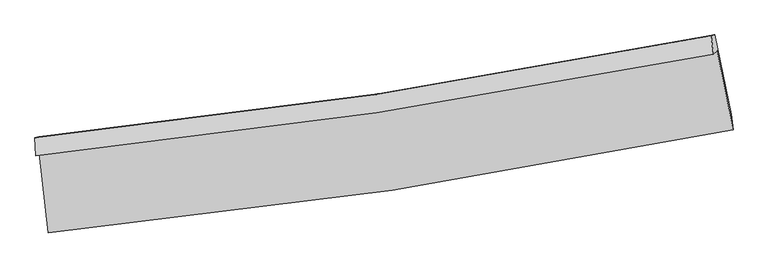
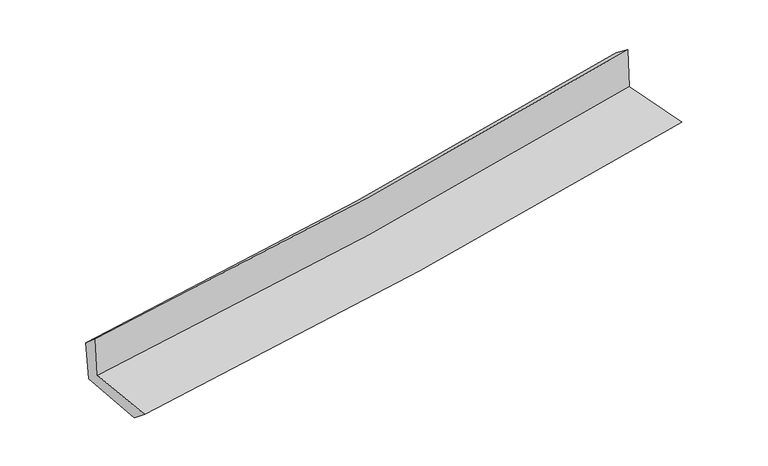
"""IFC4 building model written with IfcOpenShell, lengths in millimetres: proxy geometry."""

from ifc_helpers import new_model, si_unit, frame, origin, place, context, project, spatial, source, transform, mapped, element, save
from ifc_brep_helpers import plane_surface, spline_curve, spline_surface, advanced_brep


def generic_models_3e7e644f(model_context):
    return source(origin(), model_context, "Body", "AdvancedBrep", [
        advanced_brep(
        [(-2880.7484326, -1901.331784, 1654.734087), (-2805.33757, -2569.9155614, 1630.0850238), (2953.2652313, -1701.4400827, 2115.5002262), (2819.4181055, -1039.4637798, 2128.7138402), (-2912.5141597, -1921.8403772, 2055.6479992), (2788.4670425, -1066.8773997, 2535.9880541), (-2918.1724313, -1768.9403011, 1924.7079578), (2767.7895969, -912.4606662, 2421.2341849), (-2886.3151888, -1761.0930786, 1539.080862), (2799.2796755, -905.2707712, 2053.2286731), (-2812.017915, -2408.5385383, 1500.2347308), (2936.6873248, -1573.0615748, 2013.2479374)],
        [
            (0, 1),
            (1, 2, spline_curve(3, [(-2805.33757, -2569.9155614, 1630.0850238), (-1837.363152827, -2475.78967567, 1719.81831859), (-872.6837918, -2356.187839901, 1805.197487547), (1046.828189231, -2066.523709518, 1966.973106558), (2001.683095836, -1896.633719259, 2043.399005049), (2953.2652313, -1701.4400827, 2115.5002262)], [4, 2, 4], [0.0, 9.557172699144012, 19.08197109371932])),
            (2, 3),
            (3, 0, spline_curve(3, [(2819.4181055, -1039.4637798, 2128.7138402), (1878.06442466, -1224.978467357, 2043.37694904), (933.185601321, -1389.472016345, 1961.271711297), (-966.845907091, -1676.904493671, 1803.256454205), (-1922.022596577, -1799.700279094, 1727.368441183), (-2880.7484326, -1901.331784, 1654.734087)], [4, 2, 4], [0.0, 9.52479839457531, 19.08197109371932])),
            (4, 0),
            (3, 5),
            (5, 4, spline_curve(3, [(2788.4670425, -1066.8773997, 2535.9880541), (1846.827751605, -1253.986970415, 2454.983123765), (901.738222115, -1418.705845813, 2374.519313147), (-998.565350867, -1703.845973623, 2214.402276495), (-1953.802889263, -1824.114756931, 2134.752735973), (-2912.5141597, -1921.8403772, 2055.6479992)], [4, 2, 4], [0.0, 9.475959437502908, 18.98412717844719])),
            (6, 4),
            (5, 7),
            (7, 6, spline_curve(3, [(2767.7895969, -912.4606662, 2421.2341849), (1828.854692299, -1101.402934754, 2339.93409911), (886.367004895, -1267.165673761, 2257.978185315), (-1008.929478663, -1552.816725504, 2092.473908783), (-1961.762467481, -1672.547197896, 2008.921080274), (-2918.1724313, -1768.9403011, 1924.7079578)], [4, 2, 4], [0.0, 9.465660363726986, 18.963494024868194])),
            (8, 6),
            (7, 9),
            (9, 8, spline_curve(3, [(2799.2796755, -905.2707712, 2053.2286731), (1860.72209099, -1093.875429662, 1964.880807055), (918.453877176, -1259.414485479, 1877.931537631), (-976.719143678, -1544.845651731, 1706.539410391), (-1929.649217844, -1664.580698713, 1622.10607583), (-2886.3151888, -1761.0930786, 1539.080862)], [4, 2, 4], [0.0, 9.45583827722812, 18.94381646709877])),
            (10, 8),
            (9, 11),
            (11, 10, spline_curve(3, [(2936.6873248, -1573.0615748, 2013.2479374), (1987.698642826, -1769.10697475, 1932.875579141), (1034.964663762, -1936.683015976, 1850.015059257), (-881.244912901, -2215.369198154, 1679.027600322), (-1844.746013793, -2326.285477802, 1590.883717946), (-2812.017915, -2408.5385383, 1500.2347308)], [4, 2, 4], [0.0, 9.505849488981555, 19.04400887616692])),
            (1, 10),
            (11, 2),
        ],
        [
            spline_surface(3, 3, [[(-2880.7484326, -1901.331784, 1654.734087), (-1922.022596487, -1799.700279149, 1727.368441202), (-966.845907086, -1676.904493582, 1803.256454326), (933.185601316, -1389.472016434, 1961.271711177), (1878.064424642, -1224.978467275, 2043.376949118), (2819.4181055, -1039.4637798, 2128.7138402)], [(-2855.611478412, -2124.193043145, 1646.5177326), (-1893.802781907, -2025.063411313, 1724.851733699), (-935.458535366, -1903.332275652, 1803.903465415), (971.066464008, -1615.155914157, 1963.17217624), (1919.27064833, -1448.863551254, 2043.38430105), (2864.033814093, -1260.122547431, 2124.309302184)], [(-2830.474524188, -2347.054302255, 1638.3013782), (-1865.582967289, -2250.426543443, 1722.335026196), (-904.071163664, -2129.760057734, 1804.550476577), (1008.947326683, -1840.839811892, 1965.072641377), (1960.47687204, -1672.748635241, 2043.391653031), (2908.649522707, -1480.781315069, 2119.904764216)], [(-2805.33757, -2569.9155614, 1630.0850238), (-1837.363152709, -2475.789675607, 1719.818318693), (-872.683791944, -2356.187839804, 1805.197487666), (1046.828189375, -2066.523709615, 1966.97310644), (2001.683095728, -1896.63371922, 2043.399004964), (2953.2652313, -1701.4400827, 2115.5002262)]], [4, 4], [4, 2, 4], [0.0, 2.2509518413302034], [0.0, 9.557172699144012, 19.08197109371932]),
            spline_surface(3, 3, [[(-2912.5141597, -1921.8403772, 2055.6479992), (-1953.802889119, -1824.11475705, 2134.752735906), (-998.565350957, -1703.845973474, 2214.402276645), (901.738222205, -1418.705845962, 2374.519312997), (1846.827751463, -1253.986970381, 2454.983123905), (2788.4670425, -1066.8773997, 2535.9880541)], [(-2901.925583994, -1915.004179477, 1922.010028471), (-1943.209458235, -1815.97659776, 1998.957971009), (-987.992203013, -1694.865480165, 2077.353669217), (912.220681895, -1408.961236108, 2236.770112402), (1857.239975859, -1244.317469356, 2317.781065655), (2798.784063503, -1057.739526411, 2400.229982812)], [(-2891.337008306, -1908.167981723, 1788.372057729), (-1932.616027371, -1807.838438439, 1863.163206099), (-977.41905503, -1685.884986891, 1940.305061754), (922.703141625, -1399.216626289, 2099.020911772), (1867.652200247, -1234.6479683, 2180.579007368), (2809.101084497, -1048.601653089, 2264.471911488)], [(-2880.7484326, -1901.331784, 1654.734087), (-1922.022596487, -1799.700279149, 1727.368441202), (-966.845907086, -1676.904493582, 1803.256454326), (933.185601316, -1389.472016434, 1961.271711177), (1878.064424642, -1224.978467275, 2043.376949118), (2819.4181055, -1039.4637798, 2128.7138402)]], [4, 4], [4, 2, 4], [0.0, 1.3594298125652637], [0.0, 9.50816774094428, 18.98412717844719]),
            spline_surface(3, 3, [[(-2918.1724313, -1768.9403011, 1924.7079578), (-1961.762467417, -1672.547198011, 2008.921080168), (-1008.929478654, -1552.816725388, 2092.473908783), (886.367004885, -1267.165673878, 2257.978185315), (1828.854692245, -1101.402934879, 2339.93409908), (2767.7895969, -912.4606662, 2421.2341849)], [(-2916.28634078, -1819.906993121, 1968.354638256), (-1959.109274664, -1723.069717679, 2050.864965404), (-1005.474769401, -1603.159808114, 2133.116698066), (891.490744012, -1317.679064604, 2296.82522787), (1834.845711989, -1152.264280035, 2378.283774012), (2774.682078771, -963.932910689, 2459.485474623)], [(-2914.40025022, -1870.873685179, 2012.001318744), (-1956.456081872, -1773.592237383, 2092.80885067), (-1002.02006021, -1653.502890747, 2173.759487363), (896.614483078, -1368.192455236, 2335.672270441), (1840.836731719, -1203.125625225, 2416.633448974), (2781.574560629, -1015.405155211, 2497.736764377)], [(-2912.5141597, -1921.8403772, 2055.6479992), (-1953.802889119, -1824.11475705, 2134.752735906), (-998.565350957, -1703.845973474, 2214.402276645), (901.738222205, -1418.705845962, 2374.519312997), (1846.827751463, -1253.986970381, 2454.983123905), (2788.4670425, -1066.8773997, 2535.9880541)]], [4, 4], [4, 2, 4], [0.0, 0.633391348933573], [0.0, 9.497833661141208, 18.963494024868194]),
            spline_surface(3, 3, [[(-2886.3151888, -1761.0930786, 1539.080862), (-1929.649217831, -1664.580698566, 1622.106075959), (-976.719143629, -1544.845651881, 1706.539410321), (918.453877127, -1259.41448533, 1877.931537701), (1860.722091014, -1093.875429538, 1964.880807033), (2799.2796755, -905.2707712, 2053.2286731)], [(-2896.934269628, -1763.708819442, 1667.623227286), (-1940.353634354, -1667.23619839, 1751.044410715), (-987.45592198, -1547.502676361, 1835.184243135), (907.758253038, -1261.998214824, 2004.613753564), (1850.09962473, -1096.384597984, 2089.898571057), (2788.782982605, -907.667402865, 2175.897177042)], [(-2907.553350472, -1766.324560258, 1796.165592514), (-1951.058050893, -1669.891698187, 1879.982745412), (-998.192700304, -1550.159700907, 1963.82907597), (897.062628975, -1264.581944383, 2131.295969451), (1839.477158529, -1098.893766433, 2214.916335055), (2778.286289795, -910.064034535, 2298.565680958)], [(-2918.1724313, -1768.9403011, 1924.7079578), (-1961.762467417, -1672.547198011, 2008.921080168), (-1008.929478654, -1552.816725388, 2092.473908783), (886.367004885, -1267.165673878, 2257.978185315), (1828.854692245, -1101.402934879, 2339.93409908), (2767.7895969, -912.4606662, 2421.2341849)]], [4, 4], [4, 2, 4], [0.0, 1.261246203786737], [0.0, 9.48797818987065, 18.94381646709877]),
            spline_surface(3, 3, [[(-2812.017915, -2408.5385383, 1500.2347308), (-1844.746013683, -2326.285477843, 1590.883717914), (-881.244912825, -2215.369198008, 1679.027600186), (1034.964663687, -1936.683016121, 1850.015059392), (1987.698642772, -1769.106974825, 1932.875579276), (2936.6873248, -1573.0615748, 2013.2479374)], [(-2836.783672932, -2192.723385058, 1513.183441206), (-1873.047081731, -2105.717218076, 1601.291170602), (-913.069656447, -1991.861349299, 1688.198203576), (996.127734813, -1710.92683919, 1859.320552173), (1945.373125531, -1544.029793078, 1943.543988515), (2890.884775045, -1350.464640281, 2026.574849287)], [(-2861.549430868, -1976.908231842, 1526.132151594), (-1901.348149783, -1885.148958334, 1611.698623271), (-944.894400008, -1768.35350059, 1697.368806932), (957.290806001, -1485.17066226, 1868.62604492), (1903.047608255, -1318.952611286, 1954.212397793), (2845.082225255, -1127.867705719, 2039.901761213)], [(-2886.3151888, -1761.0930786, 1539.080862), (-1929.649217831, -1664.580698566, 1622.106075959), (-976.719143629, -1544.845651881, 1706.539410321), (918.453877127, -1259.41448533, 1877.931537701), (1860.722091014, -1093.875429538, 1964.880807033), (2799.2796755, -905.2707712, 2053.2286731)]], [4, 4], [4, 2, 4], [0.0, 2.2399158468053506], [0.0, 9.538159387185365, 19.04400887616692]),
            spline_surface(3, 3, [[(-2805.33757, -2569.9155614, 1630.0850238), (-1837.363152709, -2475.789675607, 1719.818318693), (-872.683791944, -2356.187839804, 1805.197487666), (1046.828189375, -2066.523709615, 1966.97310644), (2001.683095728, -1896.63371922, 2043.399004964), (2953.2652313, -1701.4400827, 2115.5002262)], [(-2807.564351654, -2516.123220357, 1586.80159278), (-1839.824106355, -2425.954943009, 1676.840118414), (-875.537498889, -2309.248292545, 1763.14085852), (1042.873680828, -2023.243478457, 1927.987090771), (1997.021611426, -1854.124804412, 2006.557863086), (2947.739262483, -1658.647246723, 2081.416129951)], [(-2809.791133346, -2462.330879343, 1543.51816182), (-1842.285060037, -2376.120210441, 1633.861918194), (-878.391205881, -2262.308745267, 1721.084229332), (1038.919172234, -1979.963247279, 1889.001075061), (1992.360127074, -1811.615889634, 1969.716721154), (2942.213293617, -1615.854410777, 2047.332033649)], [(-2812.017915, -2408.5385383, 1500.2347308), (-1844.746013683, -2326.285477843, 1590.883717914), (-881.244912825, -2215.369198008, 1679.027600186), (1034.964663687, -1936.683016121, 1850.015059392), (1987.698642772, -1769.106974825, 1932.875579276), (2936.6873248, -1573.0615748, 2013.2479374)]], [4, 4], [4, 2, 4], [0.0, 0.5978419454410323], [0.0, 9.597119304752539, 19.161728988392753]),
            plane_surface(frame((2844.1511627, -1199.7623791, 2211.3188193), z_axis=(0.9767513578693509, 0.1957478391731752, 0.08740462435942459), x_axis=(-0.0852418683259781, -0.019462640555548565, 0.9961701809966519))),
            plane_surface(frame((-2869.1842829, -2055.2766068, 1717.4151101), z_axis=(-0.9905241392756408, -0.10862482163733624, -0.0840391434779528), x_axis=(-0.11200610614174362, 0.9930328734447789, 0.036610714892914634))),
        ],
        [
            (0, [[1, 2, 3, 4]]),
            (1, [[5, -4, 6, 7]]),
            (2, [[8, -7, 9, 10]]),
            (3, [[11, -10, 12, 13]]),
            (4, [[14, -13, 15, 16]]),
            (5, [[17, -16, 18, -2]]),
            (6, [[-12, -9, -6, -3, -18, -15]]),
            (7, [[-1, -5, -8, -11, -14, -17]]),
        ],
    ),
    ])


if __name__ == "__main__":
    model = new_model("IFC4")
    model_context = context("Model", 3, world=origin())
    ifc_project = project(units=[si_unit("LENGTHUNIT", "METRE", prefix="MILLI")], contexts=[model_context])
    site = spatial("IfcSite", under=ifc_project)
    building = spatial("IfcBuilding", under=site)
    placement = place(None, origin())
    generic_models_shape = generic_models_3e7e644f(model_context)
    element("IfcBuildingElementProxy", 1, Name="Generic Models", at=placement, inside=building, context=model_context, shape_type="MappedRepresentation", body=[
        mapped(generic_models_shape, transform((0.0, 0.0, 0.0), x_axis=(1.0, 0.0, 0.0), y_axis=(0.0, 1.0, 0.0), z_axis=(0.0, 0.0, 1.0))),
    ])
    save(model, "model.ifc")
